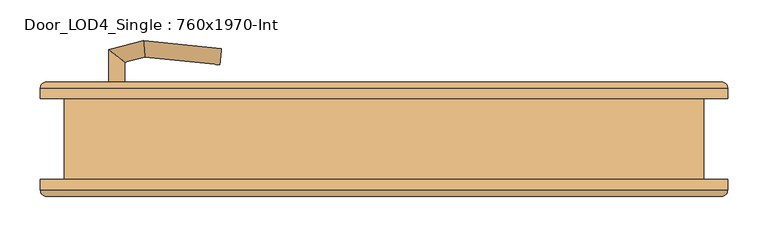
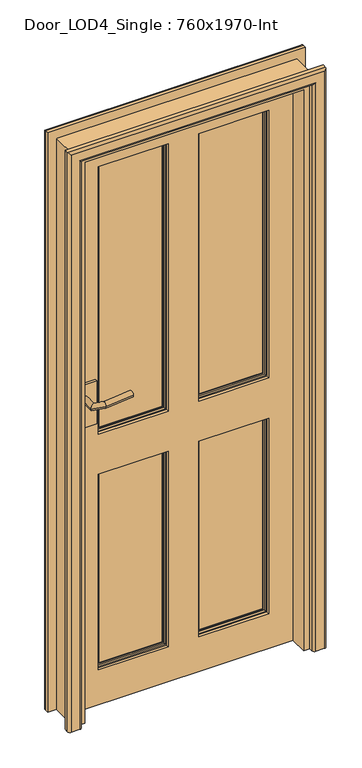
"""IFC4 building model written with IfcOpenShell, lengths in millimetres: door geometry, Door_LOD4_Single : 760x1970-Int."""

from ifc_helpers import new_model, si_unit, frame, origin, place, context, project, spatial, polyline, circle_curve, ellipse_curve, outline, extrude, source, transform, mapped, element, save
from ifc_brep_helpers import plane_surface, cylinder_surface, advanced_brep


def door_lod4_single_760x1970_int_35a33e66(model_context):
    return source(origin(), model_context, "Body", "SolidModel", [
        advanced_brep(
        [(280.0000152, 20.0, 120.0), (280.0000152, 20.0, 800.0), (50.0, 20.0, 800.0), (50.0, 20.0, 120.0), (53.6443449, 20.0, 123.6443449), (53.6443449, 20.0, 796.3556551), (276.3556703, 20.0, 796.3556551), (276.3556703, 20.0, 123.6443449), (280.0000152, 40.0, 120.0), (50.0, 40.0, 120.0), (50.0, 40.0, 800.0), (280.0000152, 40.0, 800.0), (53.6443449, 40.0, 796.3556551), (53.6443449, 40.0, 123.6443449), (276.3556703, 40.0, 123.6443449), (276.3556703, 40.0, 796.3556551), (60.5, 32.3125, 789.5), (60.5, 32.3125, 130.5), (60.5, 35.3125, 130.5), (60.5, 35.3125, 789.5), (269.5000152, 32.3125, 130.5), (269.5000152, 35.3125, 130.5), (269.5000152, 32.3125, 789.5), (269.5000152, 35.3125, 789.5), (55.9375, 35.3125, 125.9375), (55.9375, 35.3125, 794.0625), (274.0625152, 35.3125, 794.0625), (274.0625152, 35.3125, 125.9375), (60.5, 24.6875, 789.5), (60.5, 24.6875, 130.5), (60.5, 27.6875, 130.5), (60.5, 27.6875, 789.5), (269.5000152, 24.6875, 130.5), (269.5000152, 27.6875, 130.5), (269.5000152, 24.6875, 789.5), (269.5000152, 27.6875, 789.5), (55.9375, 24.6875, 794.0625), (55.9375, 24.6875, 125.9375), (274.0625152, 24.6875, 125.9375), (274.0625152, 24.6875, 794.0625)],
        [
            (0, 1),
            (1, 2),
            (2, 3),
            (3, 0),
            (4, 5),
            (5, 6),
            (6, 7),
            (7, 4),
            (8, 9),
            (9, 10),
            (10, 11),
            (11, 8),
            (12, 13),
            (13, 14),
            (14, 15),
            (15, 12),
            (0, 8),
            (11, 1),
            (10, 2),
            (9, 3),
            (16, 17),
            (17, 18),
            (18, 19),
            (19, 16),
            (17, 20),
            (20, 21),
            (21, 18),
            (20, 22),
            (22, 23),
            (23, 21),
            (24, 25),
            (25, 26),
            (26, 27),
            (27, 24),
            (23, 19),
            (22, 16),
            (24, 13, ellipse_curve(frame((50.0, 35.3125, 120.0), z_axis=(-0.7071067811865475, 0.0, 0.7071067811865475), x_axis=(-0.7071067811865474, 0.0, -0.7071067811865476)), 8.396893, 5.9375)),
            (12, 25, ellipse_curve(frame((50.0, 35.3125, 800.0), z_axis=(-0.7071067811865475, 0.0, -0.7071067811865475), x_axis=(0.7071067811865474, 0.0, -0.7071067811865476)), 8.396893, 5.9375)),
            (27, 14, ellipse_curve(frame((280.0000152, 35.3125, 120.0), z_axis=(-0.7071067811865475, 0.0, -0.7071067811865475), x_axis=(0.7071067811865476, 0.0, -0.7071067811865474)), 8.396893, 5.9375)),
            (26, 15, ellipse_curve(frame((280.0000152, 35.3125, 800.0), z_axis=(0.7071067811865475, 0.0, -0.7071067811865475), x_axis=(0.7071067811865474, 0.0, 0.7071067811865476)), 8.396893, 5.9375)),
            (28, 29),
            (29, 30),
            (30, 31),
            (31, 28),
            (29, 32),
            (32, 33),
            (33, 30),
            (32, 34),
            (34, 35),
            (35, 33),
            (36, 37),
            (37, 38),
            (38, 39),
            (39, 36),
            (28, 34),
            (31, 35),
            (36, 5, ellipse_curve(frame((50.0, 24.6875, 800.0), z_axis=(-0.7071067811865475, 0.0, -0.7071067811865475), x_axis=(0.7071067811865474, 0.0, -0.7071067811865476)), 8.396893, 5.9375)),
            (4, 37, ellipse_curve(frame((50.0, 24.6875, 120.0), z_axis=(-0.7071067811865475, 0.0, 0.7071067811865475), x_axis=(-0.7071067811865474, 0.0, -0.7071067811865476)), 8.396893, 5.9375)),
            (7, 38, ellipse_curve(frame((280.0000152, 24.6875, 120.0), z_axis=(-0.7071067811865475, 0.0, -0.7071067811865475), x_axis=(0.7071067811865476, 0.0, -0.7071067811865474)), 8.396893, 5.9375)),
            (6, 39, ellipse_curve(frame((280.0000152, 24.6875, 800.0), z_axis=(0.7071067811865475, 0.0, -0.7071067811865475), x_axis=(0.7071067811865474, 0.0, 0.7071067811865476)), 8.396893, 5.9375)),
        ],
        [
            plane_surface(frame((280.0000152, 20.0, 120.0), z_axis=(0.0, -1.0, 0.0), x_axis=(0.0, 0.0, 1.0))),
            plane_surface(frame((280.0000152, 40.0, 120.0), z_axis=(0.0, 1.0, 0.0), x_axis=(0.0, 0.0, -1.0))),
            plane_surface(frame((280.0000152, 20.0, 120.0), z_axis=(1.0, 0.0, 0.0), x_axis=(0.0, 1.0, 0.0))),
            plane_surface(frame((280.0000152, 20.0, 800.0), z_axis=(0.0, 0.0, 1.0), x_axis=(0.0, 1.0, 0.0))),
            plane_surface(frame((50.0, 20.0, 800.0), z_axis=(-1.0, 0.0, 0.0), x_axis=(0.0, 1.0, 0.0))),
            plane_surface(frame((50.0, 20.0, 120.0), z_axis=(0.0, 0.0, -1.0), x_axis=(0.0, 1.0, 0.0))),
            plane_surface(frame((60.5, 35.3125, 789.5), z_axis=(1.0, 0.0, 0.0), x_axis=(0.0, 0.0, -1.0))),
            plane_surface(frame((60.5, 35.3125, 130.5), z_axis=(0.0, 0.0, 1.0), x_axis=(1.0, 0.0, 0.0))),
            plane_surface(frame((269.5000152, 35.3125, 130.5), z_axis=(-1.0, 0.0, 0.0), x_axis=(0.0, 0.0, 1.0))),
            plane_surface(frame((274.0625152, 35.3125, 794.0625), z_axis=(0.0, 1.0, 0.0), x_axis=(-1.0, 0.0, 0.0))),
            plane_surface(frame((269.5000152, 35.3125, 789.5), z_axis=(0.0, 0.0, -1.0), x_axis=(-1.0, 0.0, 0.0))),
            plane_surface(frame((269.5000152, 32.3125, 789.5), z_axis=(0.0, 1.0, 0.0), x_axis=(-1.0, 0.0, 0.0))),
            cylinder_surface(frame((50.0, 35.3125, 800.0), z_axis=(0.0, 0.0, -1.0), x_axis=(-1.0, 0.0, 0.0)), 5.9375),
            cylinder_surface(frame((50.0, 35.3125, 120.0), z_axis=(1.0, 0.0, 0.0), x_axis=(0.0, 0.0, -1.0)), 5.9375),
            cylinder_surface(frame((280.0000152, 35.3125, 120.0), z_axis=(0.0, 0.0, 1.0), x_axis=(1.0, 0.0, 0.0)), 5.9375),
            cylinder_surface(frame((280.0000152, 35.3125, 800.0), z_axis=(-1.0, 0.0, 0.0), x_axis=(0.0, 0.0, 1.0)), 5.9375),
            plane_surface(frame((60.5, 27.6875, 789.5), z_axis=(1.0, 0.0, 0.0), x_axis=(0.0, 0.0, -1.0))),
            plane_surface(frame((60.5, 27.6875, 130.5), z_axis=(0.0, 0.0, 1.0), x_axis=(1.0, 0.0, 0.0))),
            plane_surface(frame((269.5000152, 27.6875, 130.5), z_axis=(-1.0, 0.0, 0.0), x_axis=(0.0, 0.0, 1.0))),
            plane_surface(frame((269.5000152, 24.6875, 789.5), z_axis=(0.0, -1.0, 0.0), x_axis=(-1.0, 0.0, 0.0))),
            plane_surface(frame((269.5000152, 27.6875, 789.5), z_axis=(0.0, 0.0, -1.0), x_axis=(-1.0, 0.0, 0.0))),
            plane_surface(frame((246.5442628, 27.6875, 766.5442476), z_axis=(0.0, -1.0, 0.0), x_axis=(-1.0, 0.0, 0.0))),
            cylinder_surface(frame((50.0, 24.6875, 800.0), z_axis=(0.0, 0.0, -1.0), x_axis=(1.0, 0.0, 0.0)), 5.9375),
            cylinder_surface(frame((50.0, 24.6875, 120.0), z_axis=(1.0, 0.0, 0.0), x_axis=(0.0, 0.0, 1.0)), 5.9375),
            cylinder_surface(frame((280.0000152, 24.6875, 120.0), z_axis=(0.0, 0.0, 1.0), x_axis=(-1.0, 0.0, 0.0)), 5.9375),
            cylinder_surface(frame((280.0000152, 24.6875, 800.0), z_axis=(-1.0, 0.0, 0.0), x_axis=(0.0, 0.0, -1.0)), 5.9375),
        ],
        [
            (0, [[1, 2, 3, 4], [5, 6, 7, 8]]),
            (1, [[9, 10, 11, 12], [13, 14, 15, 16]]),
            (2, [[-1, 17, -12, 18]]),
            (3, [[-2, -18, -11, 19]]),
            (4, [[-3, -19, -10, 20]]),
            (5, [[-4, -20, -9, -17]]),
            (6, [[21, 22, 23, 24]]),
            (7, [[-22, 25, 26, 27]]),
            (8, [[-26, 28, 29, 30]]),
            (9, [[31, 32, 33, 34], [-23, -27, -30, 35]]),
            (10, [[-24, -35, -29, 36]]),
            (11, [[-21, -36, -28, -25]]),
            (12, [[-31, 37, -13, 38]]),
            (13, [[-34, 39, -14, -37]]),
            (14, [[-33, 40, -15, -39]]),
            (15, [[-32, -38, -16, -40]]),
            (16, [[41, 42, 43, 44]]),
            (17, [[-42, 45, 46, 47]]),
            (18, [[-46, 48, 49, 50]]),
            (19, [[51, 52, 53, 54], [-41, 55, -48, -45]]),
            (20, [[-44, 56, -49, -55]]),
            (21, [[-43, -47, -50, -56]]),
            (22, [[-51, 57, -5, 58]]),
            (23, [[-52, -58, -8, 59]]),
            (24, [[-53, -59, -7, 60]]),
            (25, [[-54, -60, -6, -57]]),
        ],
    ),
        advanced_brep(
        [(-50.0, 20.0, 120.0), (-50.0, 20.0, 800.0), (-280.0000152, 20.0, 800.0), (-280.0000152, 20.0, 120.0), (-276.3556703, 20.0, 123.6443449), (-276.3556703, 20.0, 796.3556551), (-53.6443449, 20.0, 796.3556551), (-53.6443449, 20.0, 123.6443449), (-50.0, 40.0, 120.0), (-280.0000152, 40.0, 120.0), (-280.0000152, 40.0, 800.0), (-50.0, 40.0, 800.0), (-276.3556703, 40.0, 796.3556551), (-276.3556703, 40.0, 123.6443449), (-53.6443449, 40.0, 123.6443449), (-53.6443449, 40.0, 796.3556551), (-269.5000152, 32.3125, 789.5), (-269.5000152, 32.3125, 130.5), (-269.5000152, 35.3125, 130.5), (-269.5000152, 35.3125, 789.5), (-60.5, 32.3125, 130.5), (-60.5, 35.3125, 130.5), (-60.5, 32.3125, 789.5), (-60.5, 35.3125, 789.5), (-274.0625152, 35.3125, 125.9375), (-274.0625152, 35.3125, 794.0625), (-55.9375, 35.3125, 794.0625), (-55.9375, 35.3125, 125.9375), (-269.5000152, 24.6875, 789.5), (-269.5000152, 24.6875, 130.5), (-269.5000152, 27.6875, 130.5), (-269.5000152, 27.6875, 789.5), (-60.5, 24.6875, 130.5), (-60.5, 27.6875, 130.5), (-60.5, 24.6875, 789.5), (-60.5, 27.6875, 789.5), (-274.0625152, 24.6875, 794.0625), (-274.0625152, 24.6875, 125.9375), (-55.9375, 24.6875, 125.9375), (-55.9375, 24.6875, 794.0625)],
        [
            (0, 1),
            (1, 2),
            (2, 3),
            (3, 0),
            (4, 5),
            (5, 6),
            (6, 7),
            (7, 4),
            (8, 9),
            (9, 10),
            (10, 11),
            (11, 8),
            (12, 13),
            (13, 14),
            (14, 15),
            (15, 12),
            (0, 8),
            (11, 1),
            (10, 2),
            (9, 3),
            (16, 17),
            (17, 18),
            (18, 19),
            (19, 16),
            (17, 20),
            (20, 21),
            (21, 18),
            (20, 22),
            (22, 23),
            (23, 21),
            (24, 25),
            (25, 26),
            (26, 27),
            (27, 24),
            (23, 19),
            (22, 16),
            (24, 13, ellipse_curve(frame((-280.0000152, 35.3125, 120.0), z_axis=(-0.7071067811865475, 0.0, 0.7071067811865475), x_axis=(-0.7071067811865474, 0.0, -0.7071067811865476)), 8.396893, 5.9375)),
            (12, 25, ellipse_curve(frame((-280.0000152, 35.3125, 800.0), z_axis=(-0.7071067811865475, 0.0, -0.7071067811865475), x_axis=(0.7071067811865474, 0.0, -0.7071067811865476)), 8.396893, 5.9375)),
            (27, 14, ellipse_curve(frame((-50.0, 35.3125, 120.0), z_axis=(-0.7071067811865475, 0.0, -0.7071067811865475), x_axis=(0.7071067811865476, 0.0, -0.7071067811865474)), 8.396893, 5.9375)),
            (26, 15, ellipse_curve(frame((-50.0, 35.3125, 800.0), z_axis=(0.7071067811865475, 0.0, -0.7071067811865475), x_axis=(0.7071067811865474, 0.0, 0.7071067811865476)), 8.396893, 5.9375)),
            (28, 29),
            (29, 30),
            (30, 31),
            (31, 28),
            (29, 32),
            (32, 33),
            (33, 30),
            (32, 34),
            (34, 35),
            (35, 33),
            (36, 37),
            (37, 38),
            (38, 39),
            (39, 36),
            (28, 34),
            (31, 35),
            (36, 5, ellipse_curve(frame((-280.0000152, 24.6875, 800.0), z_axis=(-0.7071067811865475, 0.0, -0.7071067811865475), x_axis=(0.7071067811865474, 0.0, -0.7071067811865476)), 8.396893, 5.9375)),
            (4, 37, ellipse_curve(frame((-280.0000152, 24.6875, 120.0), z_axis=(-0.7071067811865475, 0.0, 0.7071067811865475), x_axis=(-0.7071067811865474, 0.0, -0.7071067811865476)), 8.396893, 5.9375)),
            (7, 38, ellipse_curve(frame((-50.0, 24.6875, 120.0), z_axis=(-0.7071067811865475, 0.0, -0.7071067811865475), x_axis=(0.7071067811865476, 0.0, -0.7071067811865474)), 8.396893, 5.9375)),
            (6, 39, ellipse_curve(frame((-50.0, 24.6875, 800.0), z_axis=(0.7071067811865475, 0.0, -0.7071067811865475), x_axis=(0.7071067811865474, 0.0, 0.7071067811865476)), 8.396893, 5.9375)),
        ],
        [
            plane_surface(frame((-50.0, 20.0, 120.0), z_axis=(0.0, -1.0, 0.0), x_axis=(0.0, 0.0, 1.0))),
            plane_surface(frame((-50.0, 40.0, 120.0), z_axis=(0.0, 1.0, 0.0), x_axis=(0.0, 0.0, -1.0))),
            plane_surface(frame((-50.0, 20.0, 120.0), z_axis=(1.0, 0.0, 0.0), x_axis=(0.0, 1.0, 0.0))),
            plane_surface(frame((-50.0, 20.0, 800.0), z_axis=(0.0, 0.0, 1.0), x_axis=(0.0, 1.0, 0.0))),
            plane_surface(frame((-280.0000152, 20.0, 800.0), z_axis=(-1.0, 0.0, 0.0), x_axis=(0.0, 1.0, 0.0))),
            plane_surface(frame((-280.0000152, 20.0, 120.0), z_axis=(0.0, 0.0, -1.0), x_axis=(0.0, 1.0, 0.0))),
            plane_surface(frame((-269.5000152, 35.3125, 789.5), z_axis=(1.0, 0.0, 0.0), x_axis=(0.0, 0.0, -1.0))),
            plane_surface(frame((-269.5000152, 35.3125, 130.5), z_axis=(0.0, 0.0, 1.0), x_axis=(1.0, 0.0, 0.0))),
            plane_surface(frame((-60.5, 35.3125, 130.5), z_axis=(-1.0, 0.0, 0.0), x_axis=(0.0, 0.0, 1.0))),
            plane_surface(frame((-55.9375, 35.3125, 794.0625), z_axis=(0.0, 1.0, 0.0), x_axis=(-1.0, 0.0, 0.0))),
            plane_surface(frame((-60.5, 35.3125, 789.5), z_axis=(0.0, 0.0, -1.0), x_axis=(-1.0, 0.0, 0.0))),
            plane_surface(frame((-60.5, 32.3125, 789.5), z_axis=(0.0, 1.0, 0.0), x_axis=(-1.0, 0.0, 0.0))),
            cylinder_surface(frame((-280.0000152, 35.3125, 800.0), z_axis=(0.0, 0.0, -1.0), x_axis=(-1.0, 0.0, 0.0)), 5.9375),
            cylinder_surface(frame((-280.0000152, 35.3125, 120.0), z_axis=(1.0, 0.0, 0.0), x_axis=(0.0, 0.0, -1.0)), 5.9375),
            cylinder_surface(frame((-50.0, 35.3125, 120.0), z_axis=(0.0, 0.0, 1.0), x_axis=(1.0, 0.0, 0.0)), 5.9375),
            cylinder_surface(frame((-50.0, 35.3125, 800.0), z_axis=(-1.0, 0.0, 0.0), x_axis=(0.0, 0.0, 1.0)), 5.9375),
            plane_surface(frame((-269.5000152, 27.6875, 789.5), z_axis=(1.0, 0.0, 0.0), x_axis=(0.0, 0.0, -1.0))),
            plane_surface(frame((-269.5000152, 27.6875, 130.5), z_axis=(0.0, 0.0, 1.0), x_axis=(1.0, 0.0, 0.0))),
            plane_surface(frame((-60.5, 27.6875, 130.5), z_axis=(-1.0, 0.0, 0.0), x_axis=(0.0, 0.0, 1.0))),
            plane_surface(frame((-60.5, 24.6875, 789.5), z_axis=(0.0, -1.0, 0.0), x_axis=(-1.0, 0.0, 0.0))),
            plane_surface(frame((-60.5, 27.6875, 789.5), z_axis=(0.0, 0.0, -1.0), x_axis=(-1.0, 0.0, 0.0))),
            plane_surface(frame((-83.4557524, 27.6875, 766.5442476), z_axis=(0.0, -1.0, 0.0), x_axis=(-1.0, 0.0, 0.0))),
            cylinder_surface(frame((-280.0000152, 24.6875, 800.0), z_axis=(0.0, 0.0, -1.0), x_axis=(1.0, 0.0, 0.0)), 5.9375),
            cylinder_surface(frame((-280.0000152, 24.6875, 120.0), z_axis=(1.0, 0.0, 0.0), x_axis=(0.0, 0.0, 1.0)), 5.9375),
            cylinder_surface(frame((-50.0, 24.6875, 120.0), z_axis=(0.0, 0.0, 1.0), x_axis=(-1.0, 0.0, 0.0)), 5.9375),
            cylinder_surface(frame((-50.0, 24.6875, 800.0), z_axis=(-1.0, 0.0, 0.0), x_axis=(0.0, 0.0, -1.0)), 5.9375),
        ],
        [
            (0, [[1, 2, 3, 4], [5, 6, 7, 8]]),
            (1, [[9, 10, 11, 12], [13, 14, 15, 16]]),
            (2, [[-1, 17, -12, 18]]),
            (3, [[-2, -18, -11, 19]]),
            (4, [[-3, -19, -10, 20]]),
            (5, [[-4, -20, -9, -17]]),
            (6, [[21, 22, 23, 24]]),
            (7, [[-22, 25, 26, 27]]),
            (8, [[-26, 28, 29, 30]]),
            (9, [[31, 32, 33, 34], [-23, -27, -30, 35]]),
            (10, [[-24, -35, -29, 36]]),
            (11, [[-21, -36, -28, -25]]),
            (12, [[-31, 37, -13, 38]]),
            (13, [[-34, 39, -14, -37]]),
            (14, [[-33, 40, -15, -39]]),
            (15, [[-32, -38, -16, -40]]),
            (16, [[41, 42, 43, 44]]),
            (17, [[-42, 45, 46, 47]]),
            (18, [[-46, 48, 49, 50]]),
            (19, [[51, 52, 53, 54], [-41, 55, -48, -45]]),
            (20, [[-44, 56, -49, -55]]),
            (21, [[-43, -47, -50, -56]]),
            (22, [[-51, 57, -5, 58]]),
            (23, [[-52, -58, -8, 59]]),
            (24, [[-53, -59, -7, 60]]),
            (25, [[-54, -60, -6, -57]]),
        ],
    ),
        advanced_brep(
        [(280.0000152, 20.0, 940.0), (280.0000152, 20.0, 1870.0000789), (50.0, 20.0, 1870.0000789), (50.0, 20.0, 940.0), (53.6443449, 20.0, 943.6443449), (53.6443449, 20.0, 1866.355734), (276.3556703, 20.0, 1866.355734), (276.3556703, 20.0, 943.6443449), (280.0000152, 40.0, 940.0), (50.0, 40.0, 940.0), (50.0, 40.0, 1870.0000789), (280.0000152, 40.0, 1870.0000789), (53.6443449, 40.0, 1866.355734), (53.6443449, 40.0, 943.6443449), (276.3556703, 40.0, 943.6443449), (276.3556703, 40.0, 1866.355734), (60.5, 32.3125, 1859.5000789), (60.5, 32.3125, 950.5), (60.5, 35.3125, 950.5), (60.5, 35.3125, 1859.5000789), (269.5000152, 32.3125, 950.5), (269.5000152, 35.3125, 950.5), (269.5000152, 32.3125, 1859.5000789), (269.5000152, 35.3125, 1859.5000789), (55.9375, 35.3125, 945.9375), (55.9375, 35.3125, 1864.0625789), (274.0625152, 35.3125, 1864.0625789), (274.0625152, 35.3125, 945.9375), (60.5, 24.6875, 1859.5000789), (60.5, 24.6875, 950.5), (60.5, 27.6875, 950.5), (60.5, 27.6875, 1859.5000789), (269.5000152, 24.6875, 950.5), (269.5000152, 27.6875, 950.5), (269.5000152, 24.6875, 1859.5000789), (269.5000152, 27.6875, 1859.5000789), (55.9375, 24.6875, 1864.0625789), (55.9375, 24.6875, 945.9375), (274.0625152, 24.6875, 945.9375), (274.0625152, 24.6875, 1864.0625789)],
        [
            (0, 1),
            (1, 2),
            (2, 3),
            (3, 0),
            (4, 5),
            (5, 6),
            (6, 7),
            (7, 4),
            (8, 9),
            (9, 10),
            (10, 11),
            (11, 8),
            (12, 13),
            (13, 14),
            (14, 15),
            (15, 12),
            (0, 8),
            (11, 1),
            (10, 2),
            (9, 3),
            (16, 17),
            (17, 18),
            (18, 19),
            (19, 16),
            (17, 20),
            (20, 21),
            (21, 18),
            (20, 22),
            (22, 23),
            (23, 21),
            (24, 25),
            (25, 26),
            (26, 27),
            (27, 24),
            (23, 19),
            (22, 16),
            (24, 13, ellipse_curve(frame((50.0, 35.3125, 940.0), z_axis=(-0.7071067811865475, 0.0, 0.7071067811865475), x_axis=(-0.7071067811865474, 0.0, -0.7071067811865476)), 8.396893, 5.9375)),
            (12, 25, ellipse_curve(frame((50.0, 35.3125, 1870.0000789), z_axis=(-0.7071067811865475, 0.0, -0.7071067811865475), x_axis=(0.7071067811865474, 0.0, -0.7071067811865476)), 8.396893, 5.9375)),
            (27, 14, ellipse_curve(frame((280.0000152, 35.3125, 940.0), z_axis=(-0.7071067811865475, 0.0, -0.7071067811865475), x_axis=(0.7071067811865476, 0.0, -0.7071067811865474)), 8.396893, 5.9375)),
            (26, 15, ellipse_curve(frame((280.0000152, 35.3125, 1870.0000789), z_axis=(0.7071067811865475, 0.0, -0.7071067811865475), x_axis=(0.7071067811865474, 0.0, 0.7071067811865476)), 8.396893, 5.9375)),
            (28, 29),
            (29, 30),
            (30, 31),
            (31, 28),
            (29, 32),
            (32, 33),
            (33, 30),
            (32, 34),
            (34, 35),
            (35, 33),
            (36, 37),
            (37, 38),
            (38, 39),
            (39, 36),
            (28, 34),
            (31, 35),
            (36, 5, ellipse_curve(frame((50.0, 24.6875, 1870.0000789), z_axis=(-0.7071067811865475, 0.0, -0.7071067811865475), x_axis=(0.7071067811865474, 0.0, -0.7071067811865476)), 8.396893, 5.9375)),
            (4, 37, ellipse_curve(frame((50.0, 24.6875, 940.0), z_axis=(-0.7071067811865475, 0.0, 0.7071067811865475), x_axis=(-0.7071067811865474, 0.0, -0.7071067811865476)), 8.396893, 5.9375)),
            (7, 38, ellipse_curve(frame((280.0000152, 24.6875, 940.0), z_axis=(-0.7071067811865475, 0.0, -0.7071067811865475), x_axis=(0.7071067811865476, 0.0, -0.7071067811865474)), 8.396893, 5.9375)),
            (6, 39, ellipse_curve(frame((280.0000152, 24.6875, 1870.0000789), z_axis=(0.7071067811865475, 0.0, -0.7071067811865475), x_axis=(0.7071067811865474, 0.0, 0.7071067811865476)), 8.396893, 5.9375)),
        ],
        [
            plane_surface(frame((280.0000152, 20.0, 940.0), z_axis=(0.0, -1.0, 0.0), x_axis=(0.0, 0.0, 1.0))),
            plane_surface(frame((280.0000152, 40.0, 940.0), z_axis=(0.0, 1.0, 0.0), x_axis=(0.0, 0.0, -1.0))),
            plane_surface(frame((280.0000152, 20.0, 940.0), z_axis=(1.0, 0.0, 0.0), x_axis=(0.0, 1.0, 0.0))),
            plane_surface(frame((280.0000152, 20.0, 1870.0000789), z_axis=(0.0, 0.0, 1.0), x_axis=(0.0, 1.0, 0.0))),
            plane_surface(frame((50.0, 20.0, 1870.0000789), z_axis=(-1.0, 0.0, 0.0), x_axis=(0.0, 1.0, 0.0))),
            plane_surface(frame((50.0, 20.0, 940.0), z_axis=(0.0, 0.0, -1.0), x_axis=(0.0, 1.0, 0.0))),
            plane_surface(frame((60.5, 35.3125, 1859.5000789), z_axis=(1.0, 0.0, 0.0), x_axis=(0.0, 0.0, -1.0))),
            plane_surface(frame((60.5, 35.3125, 950.5), z_axis=(0.0, 0.0, 1.0), x_axis=(1.0, 0.0, 0.0))),
            plane_surface(frame((269.5000152, 35.3125, 950.5), z_axis=(-1.0, 0.0, 0.0), x_axis=(0.0, 0.0, 1.0))),
            plane_surface(frame((274.0625152, 35.3125, 1864.0625789), z_axis=(0.0, 1.0, 0.0), x_axis=(-1.0, 0.0, 0.0))),
            plane_surface(frame((269.5000152, 35.3125, 1859.5000789), z_axis=(0.0, 0.0, -1.0), x_axis=(-1.0, 0.0, 0.0))),
            plane_surface(frame((269.5000152, 32.3125, 1859.5000789), z_axis=(0.0, 1.0, 0.0), x_axis=(-1.0, 0.0, 0.0))),
            cylinder_surface(frame((50.0, 35.3125, 1870.0000789), z_axis=(0.0, 0.0, -1.0), x_axis=(-1.0, 0.0, 0.0)), 5.9375),
            cylinder_surface(frame((50.0, 35.3125, 940.0), z_axis=(1.0, 0.0, 0.0), x_axis=(0.0, 0.0, -1.0)), 5.9375),
            cylinder_surface(frame((280.0000152, 35.3125, 940.0), z_axis=(0.0, 0.0, 1.0), x_axis=(1.0, 0.0, 0.0)), 5.9375),
            cylinder_surface(frame((280.0000152, 35.3125, 1870.0000789), z_axis=(-1.0, 0.0, 0.0), x_axis=(0.0, 0.0, 1.0)), 5.9375),
            plane_surface(frame((60.5, 27.6875, 1859.5000789), z_axis=(1.0, 0.0, 0.0), x_axis=(0.0, 0.0, -1.0))),
            plane_surface(frame((60.5, 27.6875, 950.5), z_axis=(0.0, 0.0, 1.0), x_axis=(1.0, 0.0, 0.0))),
            plane_surface(frame((269.5000152, 27.6875, 950.5), z_axis=(-1.0, 0.0, 0.0), x_axis=(0.0, 0.0, 1.0))),
            plane_surface(frame((269.5000152, 24.6875, 1859.5000789), z_axis=(0.0, -1.0, 0.0), x_axis=(-1.0, 0.0, 0.0))),
            plane_surface(frame((269.5000152, 27.6875, 1859.5000789), z_axis=(0.0, 0.0, -1.0), x_axis=(-1.0, 0.0, 0.0))),
            plane_surface(frame((246.5442628, 27.6875, 1836.5443265), z_axis=(0.0, -1.0, 0.0), x_axis=(-1.0, 0.0, 0.0))),
            cylinder_surface(frame((50.0, 24.6875, 1870.0000789), z_axis=(0.0, 0.0, -1.0), x_axis=(1.0, 0.0, 0.0)), 5.9375),
            cylinder_surface(frame((50.0, 24.6875, 940.0), z_axis=(1.0, 0.0, 0.0), x_axis=(0.0, 0.0, 1.0)), 5.9375),
            cylinder_surface(frame((280.0000152, 24.6875, 940.0), z_axis=(0.0, 0.0, 1.0), x_axis=(-1.0, 0.0, 0.0)), 5.9375),
            cylinder_surface(frame((280.0000152, 24.6875, 1870.0000789), z_axis=(-1.0, 0.0, 0.0), x_axis=(0.0, 0.0, -1.0)), 5.9375),
        ],
        [
            (0, [[1, 2, 3, 4], [5, 6, 7, 8]]),
            (1, [[9, 10, 11, 12], [13, 14, 15, 16]]),
            (2, [[-1, 17, -12, 18]]),
            (3, [[-2, -18, -11, 19]]),
            (4, [[-3, -19, -10, 20]]),
            (5, [[-4, -20, -9, -17]]),
            (6, [[21, 22, 23, 24]]),
            (7, [[-22, 25, 26, 27]]),
            (8, [[-26, 28, 29, 30]]),
            (9, [[31, 32, 33, 34], [-23, -27, -30, 35]]),
            (10, [[-24, -35, -29, 36]]),
            (11, [[-21, -36, -28, -25]]),
            (12, [[-31, 37, -13, 38]]),
            (13, [[-34, 39, -14, -37]]),
            (14, [[-33, 40, -15, -39]]),
            (15, [[-32, -38, -16, -40]]),
            (16, [[41, 42, 43, 44]]),
            (17, [[-42, 45, 46, 47]]),
            (18, [[-46, 48, 49, 50]]),
            (19, [[51, 52, 53, 54], [-41, 55, -48, -45]]),
            (20, [[-44, 56, -49, -55]]),
            (21, [[-43, -47, -50, -56]]),
            (22, [[-51, 57, -5, 58]]),
            (23, [[-52, -58, -8, 59]]),
            (24, [[-53, -59, -7, 60]]),
            (25, [[-54, -60, -6, -57]]),
        ],
    ),
        advanced_brep(
        [(-50.0, 20.0, 940.0), (-50.0, 20.0, 1870.0000789), (-280.0000152, 20.0, 1870.0000789), (-280.0000152, 20.0, 940.0), (-276.3556703, 20.0, 943.6443449), (-276.3556703, 20.0, 1866.355734), (-53.6443449, 20.0, 1866.355734), (-53.6443449, 20.0, 943.6443449), (-50.0, 40.0, 940.0), (-280.0000152, 40.0, 940.0), (-280.0000152, 40.0, 1870.0000789), (-50.0, 40.0, 1870.0000789), (-276.3556703, 40.0, 1866.355734), (-276.3556703, 40.0, 943.6443449), (-53.6443449, 40.0, 943.6443449), (-53.6443449, 40.0, 1866.355734), (-269.5000152, 32.3125, 1859.5000789), (-269.5000152, 32.3125, 950.5), (-269.5000152, 35.3125, 950.5), (-269.5000152, 35.3125, 1859.5000789), (-60.5, 32.3125, 950.5), (-60.5, 35.3125, 950.5), (-60.5, 32.3125, 1859.5000789), (-60.5, 35.3125, 1859.5000789), (-274.0625152, 35.3125, 945.9375), (-274.0625152, 35.3125, 1864.0625789), (-55.9375, 35.3125, 1864.0625789), (-55.9375, 35.3125, 945.9375), (-269.5000152, 24.6875, 1859.5000789), (-269.5000152, 24.6875, 950.5), (-269.5000152, 27.6875, 950.5), (-269.5000152, 27.6875, 1859.5000789), (-60.5, 24.6875, 950.5), (-60.5, 27.6875, 950.5), (-60.5, 24.6875, 1859.5000789), (-60.5, 27.6875, 1859.5000789), (-274.0625152, 24.6875, 1864.0625789), (-274.0625152, 24.6875, 945.9375), (-55.9375, 24.6875, 945.9375), (-55.9375, 24.6875, 1864.0625789)],
        [
            (0, 1),
            (1, 2),
            (2, 3),
            (3, 0),
            (4, 5),
            (5, 6),
            (6, 7),
            (7, 4),
            (8, 9),
            (9, 10),
            (10, 11),
            (11, 8),
            (12, 13),
            (13, 14),
            (14, 15),
            (15, 12),
            (0, 8),
            (11, 1),
            (10, 2),
            (9, 3),
            (16, 17),
            (17, 18),
            (18, 19),
            (19, 16),
            (17, 20),
            (20, 21),
            (21, 18),
            (20, 22),
            (22, 23),
            (23, 21),
            (24, 25),
            (25, 26),
            (26, 27),
            (27, 24),
            (23, 19),
            (22, 16),
            (24, 13, ellipse_curve(frame((-280.0000152, 35.3125, 940.0), z_axis=(-0.7071067811865475, 0.0, 0.7071067811865475), x_axis=(-0.7071067811865474, 0.0, -0.7071067811865476)), 8.396893, 5.9375)),
            (12, 25, ellipse_curve(frame((-280.0000152, 35.3125, 1870.0000789), z_axis=(-0.7071067811865475, 0.0, -0.7071067811865475), x_axis=(0.7071067811865474, 0.0, -0.7071067811865476)), 8.396893, 5.9375)),
            (27, 14, ellipse_curve(frame((-50.0, 35.3125, 940.0), z_axis=(-0.7071067811865475, 0.0, -0.7071067811865475), x_axis=(0.7071067811865476, 0.0, -0.7071067811865474)), 8.396893, 5.9375)),
            (26, 15, ellipse_curve(frame((-50.0, 35.3125, 1870.0000789), z_axis=(0.7071067811865475, 0.0, -0.7071067811865475), x_axis=(0.7071067811865474, 0.0, 0.7071067811865476)), 8.396893, 5.9375)),
            (28, 29),
            (29, 30),
            (30, 31),
            (31, 28),
            (29, 32),
            (32, 33),
            (33, 30),
            (32, 34),
            (34, 35),
            (35, 33),
            (36, 37),
            (37, 38),
            (38, 39),
            (39, 36),
            (28, 34),
            (31, 35),
            (36, 5, ellipse_curve(frame((-280.0000152, 24.6875, 1870.0000789), z_axis=(-0.7071067811865475, 0.0, -0.7071067811865475), x_axis=(0.7071067811865474, 0.0, -0.7071067811865476)), 8.396893, 5.9375)),
            (4, 37, ellipse_curve(frame((-280.0000152, 24.6875, 940.0), z_axis=(-0.7071067811865475, 0.0, 0.7071067811865475), x_axis=(-0.7071067811865474, 0.0, -0.7071067811865476)), 8.396893, 5.9375)),
            (7, 38, ellipse_curve(frame((-50.0, 24.6875, 940.0), z_axis=(-0.7071067811865475, 0.0, -0.7071067811865475), x_axis=(0.7071067811865476, 0.0, -0.7071067811865474)), 8.396893, 5.9375)),
            (6, 39, ellipse_curve(frame((-50.0, 24.6875, 1870.0000789), z_axis=(0.7071067811865475, 0.0, -0.7071067811865475), x_axis=(0.7071067811865474, 0.0, 0.7071067811865476)), 8.396893, 5.9375)),
        ],
        [
            plane_surface(frame((-50.0, 20.0, 940.0), z_axis=(0.0, -1.0, 0.0), x_axis=(0.0, 0.0, 1.0))),
            plane_surface(frame((-50.0, 40.0, 940.0), z_axis=(0.0, 1.0, 0.0), x_axis=(0.0, 0.0, -1.0))),
            plane_surface(frame((-50.0, 20.0, 940.0), z_axis=(1.0, 0.0, 0.0), x_axis=(0.0, 1.0, 0.0))),
            plane_surface(frame((-50.0, 20.0, 1870.0000789), z_axis=(0.0, 0.0, 1.0), x_axis=(0.0, 1.0, 0.0))),
            plane_surface(frame((-280.0000152, 20.0, 1870.0000789), z_axis=(-1.0, 0.0, 0.0), x_axis=(0.0, 1.0, 0.0))),
            plane_surface(frame((-280.0000152, 20.0, 940.0), z_axis=(0.0, 0.0, -1.0), x_axis=(0.0, 1.0, 0.0))),
            plane_surface(frame((-269.5000152, 35.3125, 1859.5000789), z_axis=(1.0, 0.0, 0.0), x_axis=(0.0, 0.0, -1.0))),
            plane_surface(frame((-269.5000152, 35.3125, 950.5), z_axis=(0.0, 0.0, 1.0), x_axis=(1.0, 0.0, 0.0))),
            plane_surface(frame((-60.5, 35.3125, 950.5), z_axis=(-1.0, 0.0, 0.0), x_axis=(0.0, 0.0, 1.0))),
            plane_surface(frame((-55.9375, 35.3125, 1864.0625789), z_axis=(0.0, 1.0, 0.0), x_axis=(-1.0, 0.0, 0.0))),
            plane_surface(frame((-60.5, 35.3125, 1859.5000789), z_axis=(0.0, 0.0, -1.0), x_axis=(-1.0, 0.0, 0.0))),
            plane_surface(frame((-60.5, 32.3125, 1859.5000789), z_axis=(0.0, 1.0, 0.0), x_axis=(-1.0, 0.0, 0.0))),
            cylinder_surface(frame((-280.0000152, 35.3125, 1870.0000789), z_axis=(0.0, 0.0, -1.0), x_axis=(-1.0, 0.0, 0.0)), 5.9375),
            cylinder_surface(frame((-280.0000152, 35.3125, 940.0), z_axis=(1.0, 0.0, 0.0), x_axis=(0.0, 0.0, -1.0)), 5.9375),
            cylinder_surface(frame((-50.0, 35.3125, 940.0), z_axis=(0.0, 0.0, 1.0), x_axis=(1.0, 0.0, 0.0)), 5.9375),
            cylinder_surface(frame((-50.0, 35.3125, 1870.0000789), z_axis=(-1.0, 0.0, 0.0), x_axis=(0.0, 0.0, 1.0)), 5.9375),
            plane_surface(frame((-269.5000152, 27.6875, 1859.5000789), z_axis=(1.0, 0.0, 0.0), x_axis=(0.0, 0.0, -1.0))),
            plane_surface(frame((-269.5000152, 27.6875, 950.5), z_axis=(0.0, 0.0, 1.0), x_axis=(1.0, 0.0, 0.0))),
            plane_surface(frame((-60.5, 27.6875, 950.5), z_axis=(-1.0, 0.0, 0.0), x_axis=(0.0, 0.0, 1.0))),
            plane_surface(frame((-60.5, 24.6875, 1859.5000789), z_axis=(0.0, -1.0, 0.0), x_axis=(-1.0, 0.0, 0.0))),
            plane_surface(frame((-60.5, 27.6875, 1859.5000789), z_axis=(0.0, 0.0, -1.0), x_axis=(-1.0, 0.0, 0.0))),
            plane_surface(frame((-83.4557524, 27.6875, 1836.5443265), z_axis=(0.0, -1.0, 0.0), x_axis=(-1.0, 0.0, 0.0))),
            cylinder_surface(frame((-280.0000152, 24.6875, 1870.0000789), z_axis=(0.0, 0.0, -1.0), x_axis=(1.0, 0.0, 0.0)), 5.9375),
            cylinder_surface(frame((-280.0000152, 24.6875, 940.0), z_axis=(1.0, 0.0, 0.0), x_axis=(0.0, 0.0, 1.0)), 5.9375),
            cylinder_surface(frame((-50.0, 24.6875, 940.0), z_axis=(0.0, 0.0, 1.0), x_axis=(-1.0, 0.0, 0.0)), 5.9375),
            cylinder_surface(frame((-50.0, 24.6875, 1870.0000789), z_axis=(-1.0, 0.0, 0.0), x_axis=(0.0, 0.0, -1.0)), 5.9375),
        ],
        [
            (0, [[1, 2, 3, 4], [5, 6, 7, 8]]),
            (1, [[9, 10, 11, 12], [13, 14, 15, 16]]),
            (2, [[-1, 17, -12, 18]]),
            (3, [[-2, -18, -11, 19]]),
            (4, [[-3, -19, -10, 20]]),
            (5, [[-4, -20, -9, -17]]),
            (6, [[21, 22, 23, 24]]),
            (7, [[-22, 25, 26, 27]]),
            (8, [[-26, 28, 29, 30]]),
            (9, [[31, 32, 33, 34], [-23, -27, -30, 35]]),
            (10, [[-24, -35, -29, 36]]),
            (11, [[-21, -36, -28, -25]]),
            (12, [[-31, 37, -13, 38]]),
            (13, [[-34, 39, -14, -37]]),
            (14, [[-33, 40, -15, -39]]),
            (15, [[-32, -38, -16, -40]]),
            (16, [[41, 42, 43, 44]]),
            (17, [[-42, 45, 46, 47]]),
            (18, [[-46, 48, 49, 50]]),
            (19, [[51, 52, 53, 54], [-41, 55, -48, -45]]),
            (20, [[-44, 56, -49, -55]]),
            (21, [[-43, -47, -50, -56]]),
            (22, [[-51, 57, -5, 58]]),
            (23, [[-52, -58, -8, 59]]),
            (24, [[-53, -59, -7, 60]]),
            (25, [[-54, -60, -6, -57]]),
        ],
    ),
        extrude(outline(polyline([(1970.0000789, -380.0000152), (0.0, -380.0000152), (0.0, 380.0000152), (1970.0000789, 380.0000152), (1970.0000789, -380.0000152)]), holes=[polyline([(800.0, 280.0000152), (120.0, 280.0000152), (120.0, 50.0), (800.0, 50.0), (800.0, 280.0000152)]), polyline([(1870.0000789, 280.0000152), (940.0, 280.0000152), (940.0, 50.0), (1870.0000789, 50.0), (1870.0000789, 280.0000152)]), polyline([(1870.0000789, -50.0), (940.0, -50.0), (940.0, -280.0000152), (1870.0000789, -280.0000152), (1870.0000789, -50.0)]), polyline([(800.0, -50.0), (120.0, -50.0), (120.0, -280.0000152), (800.0, -280.0000152), (800.0, -50.0)])]), frame((0.0, 10.0, 0.0), z_axis=(0.0, 1.0, 0.0), x_axis=(0.0, 0.0, 1.0)), (0.0, 0.0, 1.0), 40.0),
        advanced_brep(
        [(-340.0000152, 2.0, 1085.0000394), (-320.0000152, 2.0, 1085.0000394), (-320.0000152, -35.3267301, 1085.0000394), (-340.0000152, -50.6732699, 1085.0000394), (-295.3947993, -41.9196778, 1085.0000394), (-296.9904233, -62.1976553, 1085.0000394), (-200.6930709, -52.0736521, 1085.0000394), (-202.7842007, -32.1832731, 1085.0000394)],
        [
            (0, 1, circle_curve(frame((-330.0000152, 2.0, 1085.0000394), z_axis=(0.0, 1.0, 0.0), x_axis=(1.0, 0.0, 0.0)), 10.0)),
            (1, 0, circle_curve(frame((-330.0000152, 2.0, 1085.0000394), z_axis=(0.0, 1.0, 0.0), x_axis=(1.0, 0.0, 0.0)), 10.0)),
            (1, 2),
            (2, 3, ellipse_curve(frame((-330.0000152, -43.0, 1085.0000394), z_axis=(-0.6087614290087403, 0.79335334029122, 0.0), x_axis=(0.7933533402912198, 0.6087614290087406, 0.0)), 12.6047241, 10.0)),
            (3, 0),
            (3, 2, ellipse_curve(frame((-330.0000152, -43.0, 1085.0000394), z_axis=(-0.6087614290087403, 0.79335334029122, 0.0), x_axis=(0.7933533402912198, 0.6087614290087406, 0.0)), 12.6047241, 10.0)),
            (2, 4),
            (4, 5, ellipse_curve(frame((-296.1926113, -52.0586666, 1085.0000394), z_axis=(-0.9969184391323764, 0.07844504903348702, 0.0), x_axis=(0.07844504903348593, 0.9969184391323765, 0.0)), 10.1703292, 10.0)),
            (5, 3),
            (5, 4, ellipse_curve(frame((-296.1926113, -52.0586666, 1085.0000394), z_axis=(-0.9969184391323764, 0.07844504903348702, 0.0), x_axis=(0.07844504903348593, 0.9969184391323765, 0.0)), 10.1703292, 10.0)),
            (6, 7, circle_curve(frame((-201.7386358, -42.1284626, 1085.0000394), z_axis=(0.9945189493358518, 0.10455648909519343, 0.0), x_axis=(-0.10455648909519343, 0.9945189493358518, 0.0)), 10.0)),
            (7, 6, circle_curve(frame((-201.7386358, -42.1284626, 1085.0000394), z_axis=(0.9945189493358518, 0.10455648909519343, 0.0), x_axis=(-0.10455648909519343, 0.9945189493358518, 0.0)), 10.0)),
            (4, 7),
            (6, 5),
        ],
        [
            plane_surface(frame((-330.0000152, 2.0, 1085.0000394), z_axis=(0.0, 1.0, 0.0), x_axis=(0.0, 0.0, 1.0))),
            cylinder_surface(frame((-330.0000152, 2.0, 1085.0000394), z_axis=(0.0, 1.0, 0.0), x_axis=(1.0, 0.0, 0.0)), 10.0),
            cylinder_surface(frame((-330.0000152, -43.0, 1085.0000394), z_axis=(-0.965925826289083, 0.2588190451024665, 0.0), x_axis=(0.2588190451024665, 0.965925826289083, 0.0)), 10.0),
            plane_surface(frame((-201.7386358, -42.1284626, 1085.0000394), z_axis=(0.9945189493358518, 0.10455648909519348, 0.0), x_axis=(0.0, 0.0, 1.0))),
            cylinder_surface(frame((-296.1926113, -52.0586666, 1085.0000394), z_axis=(-0.9945189493358518, -0.10455648909519343, 0.0), x_axis=(-0.10455648909519343, 0.9945189493358518, 0.0)), 10.0),
        ],
        [
            (0, [[1, 2]]),
            (1, [[3, 4, 5, -2]]),
            (1, [[-5, 6, -3, -1]]),
            (2, [[7, 8, 9, -4]]),
            (2, [[-9, 10, -7, -6]]),
            (3, [[11, 12]]),
            (4, [[13, -11, 14, -8]]),
            (4, [[-14, -12, -13, -10]]),
        ],
    ),
        extrude(outline(polyline([(-370.0000152, 2.0), (-370.0000152, 10.0), (-290.0000152, 10.0), (-290.0000152, 2.0), (-370.0000152, 2.0)])), frame((0.0, 0.0, 985.0000394), z_axis=(0.0, 0.0, 1.0), x_axis=(1.0, 0.0, 0.0)), (0.0, 0.0, 1.0), 150.0),
        advanced_brep(
        [(-340.0000152, 58.0, 1085.0000394), (-320.0000152, 58.0, 1085.0000394), (-340.0000152, 110.6732699, 1085.0000394), (-320.0000152, 95.3267301, 1085.0000394), (-296.9904233, 122.1976553, 1085.0000394), (-295.3947993, 101.9196778, 1085.0000394), (-200.6930709, 112.0736521, 1085.0000394), (-202.7842007, 92.1832731, 1085.0000394)],
        [
            (0, 1, circle_curve(frame((-330.0000152, 58.0, 1085.0000394), z_axis=(0.0, -1.0, 0.0), x_axis=(1.0, 0.0, 0.0)), 10.0)),
            (1, 0, circle_curve(frame((-330.0000152, 58.0, 1085.0000394), z_axis=(0.0, -1.0, 0.0), x_axis=(1.0, 0.0, 0.0)), 10.0)),
            (0, 2),
            (2, 3, ellipse_curve(frame((-330.0000152, 103.0, 1085.0000394), z_axis=(-0.6087614290087454, -0.793353340291216, 0.0), x_axis=(0.793353340291216, -0.6087614290087459, 0.0)), 12.6047241, 10.0)),
            (3, 1),
            (3, 2, ellipse_curve(frame((-330.0000152, 103.0, 1085.0000394), z_axis=(-0.6087614290087454, -0.793353340291216, 0.0), x_axis=(0.793353340291216, -0.6087614290087459, 0.0)), 12.6047241, 10.0)),
            (2, 4),
            (4, 5, ellipse_curve(frame((-296.1926113, 112.0586666, 1085.0000394), z_axis=(-0.9969184391323771, -0.07844504903348057, 0.0), x_axis=(0.07844504903348166, -0.9969184391323769, 0.0)), 10.1703292, 10.0)),
            (5, 3),
            (5, 4, ellipse_curve(frame((-296.1926113, 112.0586666, 1085.0000394), z_axis=(-0.9969184391323771, -0.07844504903348057, 0.0), x_axis=(0.07844504903348166, -0.9969184391323769, 0.0)), 10.1703292, 10.0)),
            (6, 7, circle_curve(frame((-201.7386358, 102.1284626, 1085.0000394), z_axis=(0.9945189493358512, -0.10455648909519989, 0.0), x_axis=(-0.10455648909519989, -0.9945189493358512, 0.0)), 10.0)),
            (7, 6, circle_curve(frame((-201.7386358, 102.1284626, 1085.0000394), z_axis=(0.9945189493358512, -0.10455648909519989, 0.0), x_axis=(-0.10455648909519989, -0.9945189493358512, 0.0)), 10.0)),
            (4, 6),
            (7, 5),
        ],
        [
            plane_surface(frame((-330.0000152, 58.0, 1085.0000394), z_axis=(0.0, -1.0, 0.0), x_axis=(0.0, 0.0, 1.0))),
            cylinder_surface(frame((-330.0000152, 58.0, 1085.0000394), z_axis=(0.0, -1.0, 0.0), x_axis=(1.0, 0.0, 0.0)), 10.0),
            cylinder_surface(frame((-330.0000152, 103.0, 1085.0000394), z_axis=(-0.9659258262890846, -0.25881904510246023, 0.0), x_axis=(0.25881904510246023, -0.9659258262890846, 0.0)), 10.0),
            plane_surface(frame((-201.7386358, 102.1284626, 1085.0000394), z_axis=(0.9945189493358512, -0.10455648909519995, 0.0), x_axis=(0.0, 0.0, 1.0))),
            cylinder_surface(frame((-296.1926113, 112.0586666, 1085.0000394), z_axis=(-0.9945189493358512, 0.10455648909519989, 0.0), x_axis=(-0.10455648909519989, -0.9945189493358512, 0.0)), 10.0),
        ],
        [
            (0, [[1, 2]]),
            (1, [[-1, 3, 4, 5]]),
            (1, [[-2, -5, 6, -3]]),
            (2, [[-4, 7, 8, 9]]),
            (2, [[-6, -9, 10, -7]]),
            (3, [[11, 12]]),
            (4, [[-8, 13, -12, 14]]),
            (4, [[-10, -14, -11, -13]]),
        ],
    ),
        extrude(outline(polyline([(-370.0000152, 58.0), (-290.0000152, 58.0), (-290.0000152, 50.0), (-370.0000152, 50.0), (-370.0000152, 58.0)])), frame((0.0, 0.0, 985.0000394), z_axis=(0.0, 0.0, 1.0), x_axis=(1.0, 0.0, 0.0)), (0.0, 0.0, 1.0), 150.0),
        advanced_brep(
        [(380.0000152, 62.6019651, 0.0), (380.0000152, 50.0, 0.0), (380.0000152, 50.0, 1970.0000789), (380.0000152, 62.6019651, 1970.0000789), (388.1091008, 70.7110507, 1978.1091645), (-380.0000152, 62.6019651, 1970.0000789), (-388.1091008, 70.7110507, 1978.1091645), (388.1091008, 70.7110507, 0.0), (416.8176176, 70.7110507, 0.0), (424.1946997, 63.3339685, 0.0), (424.1946997, 50.0, 0.0), (-380.0000152, 50.0, 0.0), (-424.1946997, 50.0, 0.0), (-424.1946997, 63.3339685, 0.0), (-416.8176176, 70.7110507, 0.0), (-388.1091008, 70.7110507, 0.0), (-380.0000152, 62.6019651, 0.0), (416.8176176, 70.7110507, 2006.8176812), (424.1946997, 63.3339685, 2014.1947634), (424.1946997, 50.0, 2014.1947634), (-424.1946997, 50.0, 2014.1947634), (-380.0000152, 50.0, 1970.0000789), (-416.8176176, 70.7110507, 2006.8176812), (-424.1946997, 63.3339685, 2014.1947634)],
        [
            (0, 1),
            (1, 2),
            (2, 3),
            (3, 0),
            (4, 3, ellipse_curve(frame((388.1091008, 62.6019651, 1978.1091645), z_axis=(-0.7071067811865487, 0.0, 0.7071067811865464), x_axis=(0.7071067811865462, 0.0, 0.7071067811865487)), 11.4679788, 8.1090856)),
            (3, 5),
            (5, 6, ellipse_curve(frame((-388.1091008, 62.6019651, 1978.1091645), z_axis=(0.7071067811865464, 0.0, 0.7071067811865487), x_axis=(0.7071067811865487, 0.0, -0.7071067811865462)), 11.4679788, 8.1090856)),
            (6, 4),
            (0, 7, circle_curve(frame((388.1091008, 62.6019651, 0.0), z_axis=(0.0, 0.0, -1.0), x_axis=(1.0, 0.0, 0.0)), 8.1090856)),
            (7, 8),
            (8, 9, circle_curve(frame((416.8176176, 63.3339685, 0.0), z_axis=(0.0, 0.0, -1.0), x_axis=(1.0, 0.0, 0.0)), 7.3770822)),
            (9, 10),
            (10, 1),
            (11, 12),
            (12, 13),
            (13, 14, circle_curve(frame((-416.8176176, 63.3339685, 0.0), z_axis=(0.0, 0.0, -1.0), x_axis=(-1.0, 0.0, 0.0)), 7.3770822)),
            (14, 15),
            (15, 16, circle_curve(frame((-388.1091008, 62.6019651, 0.0), z_axis=(0.0, 0.0, -1.0), x_axis=(-1.0, 0.0, 0.0)), 8.1090856)),
            (16, 11),
            (8, 17),
            (17, 18, ellipse_curve(frame((416.8176176, 63.3339685, 2006.8176812), z_axis=(0.7071067811865487, 0.0, -0.7071067811865464), x_axis=(-0.7071067811865462, 0.0, -0.7071067811865487)), 10.4327696, 7.3770822)),
            (18, 9),
            (10, 19),
            (19, 20),
            (20, 12),
            (11, 21),
            (21, 2),
            (18, 19),
            (7, 4),
            (6, 15),
            (14, 22),
            (22, 17),
            (22, 23, ellipse_curve(frame((-416.8176176, 63.3339685, 2006.8176812), z_axis=(0.7071067811865464, 0.0, 0.7071067811865487), x_axis=(0.7071067811865487, 0.0, -0.7071067811865462)), 10.4327696, 7.3770822)),
            (23, 18),
            (23, 20),
            (21, 5),
            (13, 23),
            (16, 5),
        ],
        [
            plane_surface(frame((380.0000152, 50.0, 0.0), z_axis=(-1.0, 0.0, 0.0), x_axis=(0.0, 0.0, 1.0))),
            cylinder_surface(frame((380.0000152, 62.6019651, 1978.1091645), z_axis=(1.0, 0.0, 0.0), x_axis=(0.0, 0.0, 1.0)), 8.1090856),
            plane_surface(frame((380.0000152, 50.0, 0.0), z_axis=(0.0, 0.0, -1.0), x_axis=(0.0, 1.0, 0.0))),
            plane_surface(frame((-380.0000152, 50.0, 0.0), z_axis=(0.0, 0.0, -1.0), x_axis=(0.0, 1.0, 0.0))),
            cylinder_surface(frame((416.8176176, 63.3339685, 0.0), z_axis=(0.0, 0.0, -1.0), x_axis=(1.0, 0.0, 0.0)), 7.3770822),
            plane_surface(frame((424.1946997, 50.0, 0.0), z_axis=(0.0, -1.0, 0.0), x_axis=(0.0, 0.0, 1.0))),
            plane_surface(frame((424.1946997, 63.3339685, 0.0), z_axis=(1.0, 0.0, 0.0), x_axis=(0.0, 0.0, 1.0))),
            plane_surface(frame((388.1091008, 70.7110507, 0.0), z_axis=(0.0, 1.0, 0.0), x_axis=(0.0, 0.0, 1.0))),
            cylinder_surface(frame((380.0000152, 63.3339685, 2006.8176812), z_axis=(1.0, 0.0, 0.0), x_axis=(0.0, 0.0, 1.0)), 7.3770822),
            plane_surface(frame((424.1946997, 63.3339685, 2014.1947634), z_axis=(0.0, 0.0, 1.0), x_axis=(-1.0, 0.0, 0.0))),
            plane_surface(frame((380.0000152, 50.0, 1970.0000789), z_axis=(0.0, 0.0, -1.0), x_axis=(-1.0, 0.0, 0.0))),
            cylinder_surface(frame((-416.8176176, 63.3339685, 1970.0000789), z_axis=(0.0, 0.0, 1.0), x_axis=(-1.0, 0.0, 0.0)), 7.3770822),
            plane_surface(frame((-424.1946997, 63.3339685, 2014.1947634), z_axis=(-1.0, 0.0, 0.0), x_axis=(0.0, 0.0, -1.0))),
            plane_surface(frame((-380.0000152, 50.0, 1970.0000789), z_axis=(1.0, 0.0, 0.0), x_axis=(0.0, 0.0, -1.0))),
            cylinder_surface(frame((388.1091008, 62.6019651, 0.0), z_axis=(0.0, 0.0, -1.0), x_axis=(1.0, 0.0, 0.0)), 8.1090856),
            cylinder_surface(frame((-388.1091008, 62.6019651, 1970.0000789), z_axis=(0.0, 0.0, 1.0), x_axis=(-1.0, 0.0, 0.0)), 8.1090856),
        ],
        [
            (0, [[1, 2, 3, 4]]),
            (1, [[5, 6, 7, 8]]),
            (2, [[-1, 9, 10, 11, 12, 13]]),
            (3, [[14, 15, 16, 17, 18, 19]]),
            (4, [[-11, 20, 21, 22]]),
            (5, [[-13, 23, 24, 25, -14, 26, 27, -2]]),
            (6, [[-12, -22, 28, -23]]),
            (7, [[-10, 29, -8, 30, -17, 31, 32, -20]]),
            (8, [[-21, -32, 33, 34]]),
            (9, [[-28, -34, 35, -24]]),
            (10, [[-3, -27, 36, -6]]),
            (11, [[-33, -31, -16, 37]]),
            (12, [[-35, -37, -15, -25]]),
            (13, [[-36, -26, -19, 38]]),
            (14, [[-9, -4, -5, -29]]),
            (15, [[-7, -38, -18, -30]]),
        ],
    ),
        advanced_brep(
        [(-380.0000152, -62.6019651, 0.0), (-380.0000152, -50.0, 0.0), (-380.0000152, -50.0, 1970.0000789), (-380.0000152, -62.6019651, 1970.0000789), (-388.1091008, -70.7110507, 1978.1091645), (380.0000152, -62.6019651, 1970.0000789), (388.1091008, -70.7110507, 1978.1091645), (-388.1091008, -70.7110507, 0.0), (-416.8176176, -70.7110507, 0.0), (-424.1946997, -63.3339685, 0.0), (-424.1946997, -50.0, 0.0), (380.0000152, -50.0, 0.0), (424.1946997, -50.0, 0.0), (424.1946997, -63.3339685, 0.0), (416.8176176, -70.7110507, 0.0), (388.1091008, -70.7110507, 0.0), (380.0000152, -62.6019651, 0.0), (-416.8176176, -70.7110507, 2006.8176812), (-424.1946997, -63.3339685, 2014.1947634), (-424.1946997, -50.0, 2014.1947634), (424.1946997, -50.0, 2014.1947634), (380.0000152, -50.0, 1970.0000789), (416.8176176, -70.7110507, 2006.8176812), (424.1946997, -63.3339685, 2014.1947634)],
        [
            (0, 1),
            (1, 2),
            (2, 3),
            (3, 0),
            (4, 3, ellipse_curve(frame((-388.1091008, -62.6019651, 1978.1091645), z_axis=(0.7071067811865487, 0.0, 0.7071067811865464), x_axis=(-0.7071067811865462, 0.0, 0.7071067811865487)), 11.4679788, 8.1090856)),
            (3, 5),
            (5, 6, ellipse_curve(frame((388.1091008, -62.6019651, 1978.1091645), z_axis=(-0.7071067811865464, 0.0, 0.7071067811865487), x_axis=(-0.7071067811865487, 0.0, -0.7071067811865462)), 11.4679788, 8.1090856)),
            (6, 4),
            (0, 7, circle_curve(frame((-388.1091008, -62.6019651, 0.0), z_axis=(0.0, 0.0, -1.0), x_axis=(-1.0, 0.0, 0.0)), 8.1090856)),
            (7, 8),
            (8, 9, circle_curve(frame((-416.8176176, -63.3339685, 0.0), z_axis=(0.0, 0.0, -1.0), x_axis=(-1.0, 0.0, 0.0)), 7.3770822)),
            (9, 10),
            (10, 1),
            (11, 12),
            (12, 13),
            (13, 14, circle_curve(frame((416.8176176, -63.3339685, 0.0), z_axis=(0.0, 0.0, -1.0), x_axis=(1.0, 0.0, 0.0)), 7.3770822)),
            (14, 15),
            (15, 16, circle_curve(frame((388.1091008, -62.6019651, 0.0), z_axis=(0.0, 0.0, -1.0), x_axis=(1.0, 0.0, 0.0)), 8.1090856)),
            (16, 11),
            (8, 17),
            (17, 18, ellipse_curve(frame((-416.8176176, -63.3339685, 2006.8176812), z_axis=(-0.7071067811865487, 0.0, -0.7071067811865464), x_axis=(0.7071067811865462, 0.0, -0.7071067811865487)), 10.4327696, 7.3770822)),
            (18, 9),
            (10, 19),
            (19, 20),
            (20, 12),
            (11, 21),
            (21, 2),
            (18, 19),
            (7, 4),
            (6, 15),
            (14, 22),
            (22, 17),
            (22, 23, ellipse_curve(frame((416.8176176, -63.3339685, 2006.8176812), z_axis=(-0.7071067811865464, 0.0, 0.7071067811865487), x_axis=(-0.7071067811865487, 0.0, -0.7071067811865462)), 10.4327696, 7.3770822)),
            (23, 18),
            (23, 20),
            (21, 5),
            (13, 23),
            (16, 5),
        ],
        [
            plane_surface(frame((-380.0000152, -50.0, 0.0), z_axis=(1.0, 0.0, 0.0), x_axis=(0.0, 0.0, 1.0))),
            cylinder_surface(frame((-380.0000152, -62.6019651, 1978.1091645), z_axis=(-1.0, 0.0, 0.0), x_axis=(0.0, 0.0, 1.0)), 8.1090856),
            plane_surface(frame((-380.0000152, -50.0, 0.0), z_axis=(0.0, 0.0, -1.0), x_axis=(0.0, -1.0, 0.0))),
            plane_surface(frame((380.0000152, -50.0, 0.0), z_axis=(0.0, 0.0, -1.0), x_axis=(0.0, -1.0, 0.0))),
            cylinder_surface(frame((-416.8176176, -63.3339685, 0.0), z_axis=(0.0, 0.0, -1.0), x_axis=(-1.0, 0.0, 0.0)), 7.3770822),
            plane_surface(frame((-424.1946997, -50.0, 0.0), z_axis=(0.0, 1.0, 0.0), x_axis=(0.0, 0.0, 1.0))),
            plane_surface(frame((-424.1946997, -63.3339685, 0.0), z_axis=(-1.0, 0.0, 0.0), x_axis=(0.0, 0.0, 1.0))),
            plane_surface(frame((-388.1091008, -70.7110507, 0.0), z_axis=(0.0, -1.0, 0.0), x_axis=(0.0, 0.0, 1.0))),
            cylinder_surface(frame((-380.0000152, -63.3339685, 2006.8176812), z_axis=(-1.0, 0.0, 0.0), x_axis=(0.0, 0.0, 1.0)), 7.3770822),
            plane_surface(frame((-424.1946997, -63.3339685, 2014.1947634), z_axis=(0.0, 0.0, 1.0), x_axis=(1.0, 0.0, 0.0))),
            plane_surface(frame((-380.0000152, -50.0, 1970.0000789), z_axis=(0.0, 0.0, -1.0), x_axis=(1.0, 0.0, 0.0))),
            cylinder_surface(frame((416.8176176, -63.3339685, 1970.0000789), z_axis=(0.0, 0.0, 1.0), x_axis=(1.0, 0.0, 0.0)), 7.3770822),
            plane_surface(frame((424.1946997, -63.3339685, 2014.1947634), z_axis=(1.0, 0.0, 0.0), x_axis=(0.0, 0.0, -1.0))),
            plane_surface(frame((380.0000152, -50.0, 1970.0000789), z_axis=(-1.0, 0.0, 0.0), x_axis=(0.0, 0.0, -1.0))),
            cylinder_surface(frame((-388.1091008, -62.6019651, 0.0), z_axis=(0.0, 0.0, -1.0), x_axis=(-1.0, 0.0, 0.0)), 8.1090856),
            cylinder_surface(frame((388.1091008, -62.6019651, 1970.0000789), z_axis=(0.0, 0.0, 1.0), x_axis=(1.0, 0.0, 0.0)), 8.1090856),
        ],
        [
            (0, [[1, 2, 3, 4]]),
            (1, [[5, 6, 7, 8]]),
            (2, [[-1, 9, 10, 11, 12, 13]]),
            (3, [[14, 15, 16, 17, 18, 19]]),
            (4, [[-11, 20, 21, 22]]),
            (5, [[-13, 23, 24, 25, -14, 26, 27, -2]]),
            (6, [[-12, -22, 28, -23]]),
            (7, [[-10, 29, -8, 30, -17, 31, 32, -20]]),
            (8, [[-21, -32, 33, 34]]),
            (9, [[-28, -34, 35, -24]]),
            (10, [[-3, -27, 36, -6]]),
            (11, [[-33, -31, -16, 37]]),
            (12, [[-35, -37, -15, -25]]),
            (13, [[-36, -26, -19, 38]]),
            (14, [[-9, -4, -5, -29]]),
            (15, [[-7, -38, -18, -30]]),
        ],
    ),
        extrude(outline(polyline([(1970.0000789, -380.0000152), (0.0, -380.0000152), (0.0, -360.0000152), (1950.0000789, -360.0000152), (1950.0000789, 360.0000152), (0.0, 360.0000152), (0.0, 380.0000152), (1970.0000789, 380.0000152), (1970.0000789, -380.0000152)])), frame((0.0, -50.0, 0.0), z_axis=(0.0, 1.0, 0.0), x_axis=(0.0, 0.0, 1.0)), (0.0, 0.0, 1.0), 60.0),
        extrude(outline(polyline([(1985.0000789, -395.0000152), (0.0, -395.0000152), (0.0, -380.0000152), (1970.0000789, -380.0000152), (1970.0000789, 380.0000152), (0.0, 380.0000152), (0.0, 395.0000152), (1985.0000789, 395.0000152), (1985.0000789, -395.0000152)])), frame((0.0, -50.0, 0.0), z_axis=(0.0, 1.0, 0.0), x_axis=(0.0, 0.0, 1.0)), (0.0, 0.0, 1.0), 100.0),
    ])


if __name__ == "__main__":
    model = new_model("IFC4")
    model_context = context("Model", 3, world=origin())
    ifc_project = project(units=[si_unit("LENGTHUNIT", "METRE", prefix="MILLI")], contexts=[model_context])
    site = spatial("IfcSite", under=ifc_project)
    building = spatial("IfcBuilding", under=site)
    placement = place(None, origin())
    door_lod4_single_760x1970_int_shape = door_lod4_single_760x1970_int_35a33e66(model_context)
    element("IfcDoor", 1, ObjectType="Door_LOD4_Single : 760x1970-Int", at=placement, inside=building, context=model_context, shape_type="MappedRepresentation", body=[
        mapped(door_lod4_single_760x1970_int_shape, transform((0.0, 0.0, 0.0), x_axis=(1.0, 0.0, 0.0), y_axis=(0.0, 1.0, 0.0), z_axis=(0.0, 0.0, 1.0))),
    ])
    save(model, "model.ifc")
